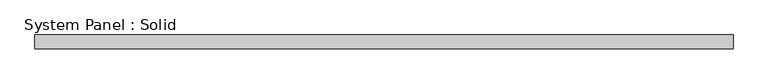
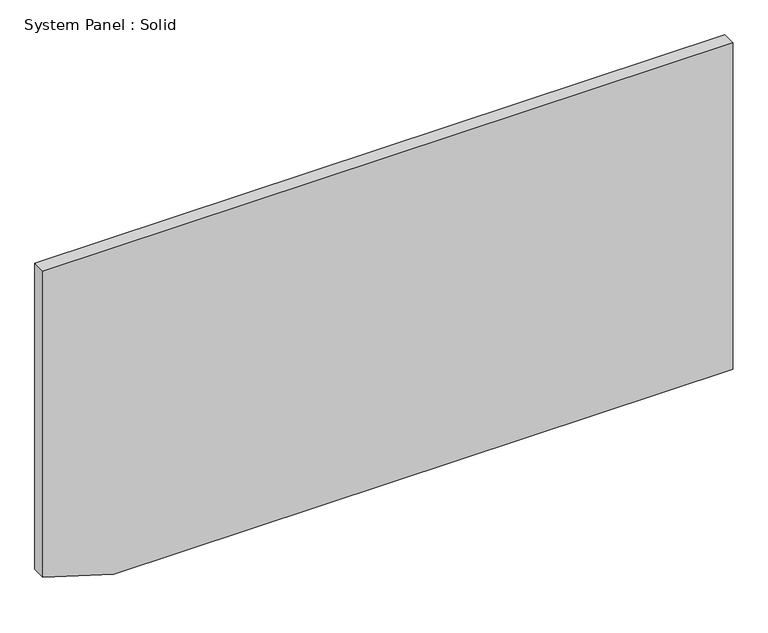
"""IFC4 building model written with IfcOpenShell, lengths in millimetres: plate geometry, System Panel : Solid."""

from ifc_helpers import new_model, si_unit, frame, origin, place, context, project, spatial, polyline, outline, extrude, source, transform, mapped, element, save


def system_panel_solid_12a24352(model_context):
    return source(origin(), model_context, "Body", "SweptSolid", [
        extrude(outline(polyline([(0.0, -1191.2032875), (0.0, 1500.0), (1500.0, 1500.0), (1500.0, -1500.0), (95.054284, -1500.0), (0.0, -1191.2032875)])), frame((0.0, -10.5, 0.0), z_axis=(0.0, 1.0, 0.0), x_axis=(0.0, 0.0, 1.0)), (0.0, 0.0, 1.0), 60.0),
    ])


if __name__ == "__main__":
    model = new_model("IFC4")
    model_context = context("Model", 3, world=origin())
    ifc_project = project(units=[si_unit("LENGTHUNIT", "METRE", prefix="MILLI")], contexts=[model_context])
    site = spatial("IfcSite", under=ifc_project)
    building = spatial("IfcBuilding", under=site)
    placement = place(None, origin())
    system_panel_solid_shape = system_panel_solid_12a24352(model_context)
    element("IfcPlate", 1, ObjectType="System Panel : Solid", at=placement, inside=building, context=model_context, shape_type="MappedRepresentation", body=[
        mapped(system_panel_solid_shape, transform((0.0, 0.0, 0.0), x_axis=(1.0, 0.0, 0.0), y_axis=(0.0, 1.0, 0.0), z_axis=(0.0, 0.0, 1.0))),
    ])
    save(model, "model.ifc")
